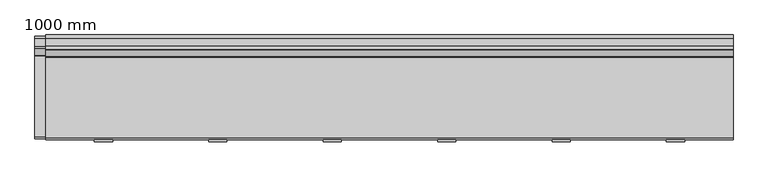
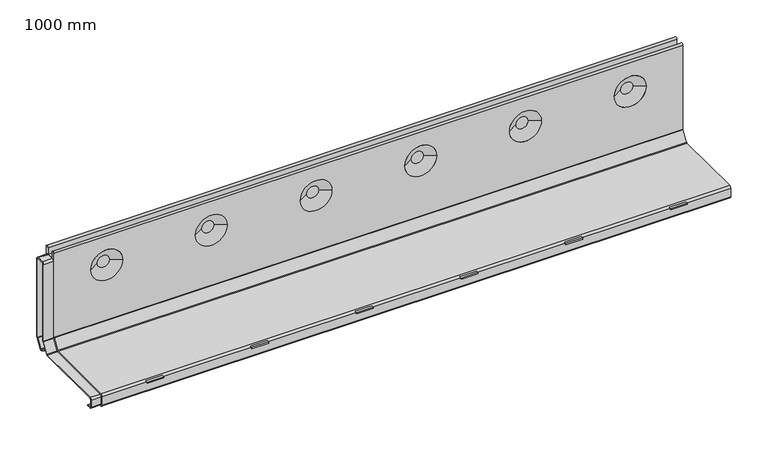
"""IFC4 building model written with IfcOpenShell, lengths in millimetres: proxy geometry, 1000 mm."""

from ifc_helpers import new_model, si_unit, point, frame, frame_2d, origin, place, context, project, spatial, polyline, circle_curve, trimmed, segment, composite_curve, outline, extrude, source, transform, mapped, element, save
from ifc_brep_helpers import plane_surface, cylinder_surface, revolved_surface, advanced_brep


def proxy_1000_mm_8a25c7e3(model_context):
    return source(origin(), model_context, "Body", "SolidModel", [
        extrude(outline(polyline([(734.75, -52.0), (732.75, -52.0), (732.75, 44.0), (734.75, 44.0), (734.75, -52.0)])), frame((0.0, 0.0, -29.1940506), z_axis=(0.0, 0.0, 1.0), x_axis=(1.0, 0.0, 0.0)), (0.0, 0.0, 1.0), 10.1940506),
        extrude(outline(polyline([(766.75, -52.0), (764.75, -52.0), (764.75, 44.0), (766.75, 44.0), (766.75, -52.0)])), frame((0.0, 0.0, -29.1940506), z_axis=(0.0, 0.0, 1.0), x_axis=(1.0, 0.0, 0.0)), (0.0, 0.0, 1.0), 10.1940506),
        extrude(outline(polyline([(763.0, -78.0), (736.5, -78.0), (736.5, -70.5), (763.0, -70.5), (763.0, -78.0)])), frame((0.0, 0.0, -3.6940506), z_axis=(0.0, 0.0, 1.0), x_axis=(1.0, 0.0, 0.0)), (0.0, 0.0, 1.0), 2.1940506),
        extrude(outline(polyline([(568.25, -52.0), (566.25, -52.0), (566.25, 44.0), (568.25, 44.0), (568.25, -52.0)])), frame((0.0, 0.0, -29.1940506), z_axis=(0.0, 0.0, 1.0), x_axis=(1.0, 0.0, 0.0)), (0.0, 0.0, 1.0), 10.1940506),
        extrude(outline(polyline([(600.25, -52.0), (598.25, -52.0), (598.25, 44.0), (600.25, 44.0), (600.25, -52.0)])), frame((0.0, 0.0, -29.1940506), z_axis=(0.0, 0.0, 1.0), x_axis=(1.0, 0.0, 0.0)), (0.0, 0.0, 1.0), 10.1940506),
        extrude(outline(polyline([(596.5, -78.0), (570.0, -78.0), (570.0, -70.5), (596.5, -70.5), (596.5, -78.0)])), frame((0.0, 0.0, -3.6940506), z_axis=(0.0, 0.0, 1.0), x_axis=(1.0, 0.0, 0.0)), (0.0, 0.0, 1.0), 2.1940506),
        extrude(outline(polyline([(401.75, -52.0), (399.75, -52.0), (399.75, 44.0), (401.75, 44.0), (401.75, -52.0)])), frame((0.0, 0.0, -29.1940506), z_axis=(0.0, 0.0, 1.0), x_axis=(1.0, 0.0, 0.0)), (0.0, 0.0, 1.0), 10.1940506),
        extrude(outline(polyline([(433.75, -52.0), (431.75, -52.0), (431.75, 44.0), (433.75, 44.0), (433.75, -52.0)])), frame((0.0, 0.0, -29.1940506), z_axis=(0.0, 0.0, 1.0), x_axis=(1.0, 0.0, 0.0)), (0.0, 0.0, 1.0), 10.1940506),
        extrude(outline(polyline([(430.0, -78.0), (403.5, -78.0), (403.5, -70.5), (430.0, -70.5), (430.0, -78.0)])), frame((0.0, 0.0, -3.6940506), z_axis=(0.0, 0.0, 1.0), x_axis=(1.0, 0.0, 0.0)), (0.0, 0.0, 1.0), 2.1940506),
        extrude(outline(polyline([(235.25, -52.0), (233.25, -52.0), (233.25, 44.0), (235.25, 44.0), (235.25, -52.0)])), frame((0.0, 0.0, -29.1940506), z_axis=(0.0, 0.0, 1.0), x_axis=(1.0, 0.0, 0.0)), (0.0, 0.0, 1.0), 10.1940506),
        extrude(outline(polyline([(267.25, -52.0), (265.25, -52.0), (265.25, 44.0), (267.25, 44.0), (267.25, -52.0)])), frame((0.0, 0.0, -29.1940506), z_axis=(0.0, 0.0, 1.0), x_axis=(1.0, 0.0, 0.0)), (0.0, 0.0, 1.0), 10.1940506),
        extrude(outline(polyline([(263.5, -78.0), (237.0, -78.0), (237.0, -70.5), (263.5, -70.5), (263.5, -78.0)])), frame((0.0, 0.0, -3.6940506), z_axis=(0.0, 0.0, 1.0), x_axis=(1.0, 0.0, 0.0)), (0.0, 0.0, 1.0), 2.1940506),
        extrude(outline(polyline([(901.25, -52.0), (899.25, -52.0), (899.25, 44.0), (901.25, 44.0), (901.25, -52.0)])), frame((0.0, 0.0, -29.1940506), z_axis=(0.0, 0.0, 1.0), x_axis=(1.0, 0.0, 0.0)), (0.0, 0.0, 1.0), 10.1940506),
        extrude(outline(polyline([(933.25, -52.0), (931.25, -52.0), (931.25, 44.0), (933.25, 44.0), (933.25, -52.0)])), frame((0.0, 0.0, -29.1940506), z_axis=(0.0, 0.0, 1.0), x_axis=(1.0, 0.0, 0.0)), (0.0, 0.0, 1.0), 10.1940506),
        extrude(outline(polyline([(929.5, -78.0), (903.0, -78.0), (903.0, -70.5), (929.5, -70.5), (929.5, -78.0)])), frame((0.0, 0.0, -3.6940506), z_axis=(0.0, 0.0, 1.0), x_axis=(1.0, 0.0, 0.0)), (0.0, 0.0, 1.0), 2.1940506),
        extrude(outline(polyline([(68.75, -52.0), (66.75, -52.0), (66.75, 44.0), (68.75, 44.0), (68.75, -52.0)])), frame((0.0, 0.0, -29.1940506), z_axis=(0.0, 0.0, 1.0), x_axis=(1.0, 0.0, 0.0)), (0.0, 0.0, 1.0), 10.1940506),
        extrude(outline(polyline([(100.75, -52.0), (98.75, -52.0), (98.75, 44.0), (100.75, 44.0), (100.75, -52.0)])), frame((0.0, 0.0, -29.1940506), z_axis=(0.0, 0.0, 1.0), x_axis=(1.0, 0.0, 0.0)), (0.0, 0.0, 1.0), 10.1940506),
        extrude(outline(polyline([(97.0, -78.0), (70.5, -78.0), (70.5, -70.5), (97.0, -70.5), (97.0, -78.0)])), frame((0.0, 0.0, -3.6940506), z_axis=(0.0, 0.0, 1.0), x_axis=(1.0, 0.0, 0.0)), (0.0, 0.0, 1.0), 2.1940506),
        advanced_brep(
        [(0.0, -58.5, -20.5), (0.0, -72.0, -20.5), (0.0, -75.0, -17.5), (0.0, -75.0, -3.0), (0.0, -72.0, 0.0), (0.0, 45.3541436, 0.0), (0.0, 46.6192308, 0.6940506), (0.0, 56.2650872, 15.8350122), (0.0, 56.5, 16.6409616), (0.0, 56.5, 157.745), (0.0, 61.01, 157.745), (0.0, 61.01, 146.8), (0.0, 72.99, 146.8), (0.0, 72.99, 157.7453869), (0.0, 77.5, 157.7453869), (0.0, 77.5, 11.767597), (0.0, 77.0301743, 10.1556982), (0.0, 67.2913074, -5.1312607), (0.0, 67.0563946, -5.9372101), (0.0, 67.0563946, -17.5), (0.0, 64.0563946, -20.5), (0.0, 50.0563946, -20.5), (0.0, 50.0563946, -19.0), (0.0, -58.5, -19.0), (1000.0, -58.5, -20.5), (1000.0, -58.5, -19.0), (1000.0, 50.0563946, -19.0), (1000.0, 50.0563946, -20.5), (1000.0, 64.0563946, -20.5), (1000.0, 67.0563946, -17.5), (1000.0, 67.0563946, -5.9372101), (1000.0, 67.2913074, -5.1312607), (1000.0, 77.0301743, 10.1556982), (1000.0, 77.5, 11.767597), (1000.0, 77.5, 157.7453869), (1000.0, 72.99, 157.7453869), (1000.0, 72.99, 146.8), (1000.0, 61.01, 146.8), (1000.0, 61.01, 157.745), (1000.0, 56.5, 157.745), (1000.0, 56.5, 16.6409616), (1000.0, 56.2650872, 15.8350122), (1000.0, 46.6192308, 0.6940506), (1000.0, 45.3541436, 0.0), (1000.0, -72.0, 0.0), (1000.0, -75.0, -3.0), (1000.0, -75.0, -17.5), (1000.0, -72.0, -20.5), (58.4993164, 77.5, 109.3137619), (109.0006836, 77.5, 109.3137619), (890.9993164, 77.5, 109.3137619), (941.5006836, 77.5, 109.3137619), (224.9993164, 77.5, 109.3137619), (275.5006836, 77.5, 109.3137619), (391.4993164, 77.5, 109.3137619), (442.0006836, 77.5, 109.3137619), (557.9993164, 77.5, 109.3137619), (608.5006836, 77.5, 109.3137619), (724.4993164, 77.5, 109.3137619), (775.0006836, 77.5, 109.3137619), (109.0006836, 56.5, 109.3137619), (58.4993164, 56.5, 109.3137619), (941.5006836, 56.5, 109.3137619), (890.9993164, 56.5, 109.3137619), (275.5006836, 56.5, 109.3137619), (224.9993164, 56.5, 109.3137619), (442.0006836, 56.5, 109.3137619), (391.4993164, 56.5, 109.3137619), (608.5006836, 56.5, 109.3137619), (557.9993164, 56.5, 109.3137619), (775.0006836, 56.5, 109.3137619), (724.4993164, 56.5, 109.3137619), (74.1699511, 66.1172432, 109.3137619), (93.3300489, 66.1172432, 109.3137619), (906.6699511, 66.1172432, 109.3137619), (925.8300489, 66.1172432, 109.3137619), (240.6699511, 66.1172432, 109.3137619), (259.8300489, 66.1172432, 109.3137619), (407.1699511, 66.1172432, 109.3137619), (426.3300489, 66.1172432, 109.3137619), (573.6699511, 66.1172432, 109.3137619), (592.8300489, 66.1172432, 109.3137619), (740.1699511, 66.1172432, 109.3137619), (759.3300489, 66.1172432, 109.3137619), (74.1699511, 67.8827568, 109.3137619), (93.3300489, 67.8827568, 109.3137619), (906.6699511, 67.8827568, 109.3137619), (925.8300489, 67.8827568, 109.3137619), (240.6699511, 67.8827568, 109.3137619), (259.8300489, 67.8827568, 109.3137619), (407.1699511, 67.8827568, 109.3137619), (426.3300489, 67.8827568, 109.3137619), (573.6699511, 67.8827568, 109.3137619), (592.8300489, 67.8827568, 109.3137619), (740.1699511, 67.8827568, 109.3137619), (759.3300489, 67.8827568, 109.3137619)],
        [
            (0, 1),
            (1, 2, circle_curve(frame((0.0, -72.0, -17.5), z_axis=(-1.0, 0.0, 0.0), x_axis=(0.0, 1.0, 0.0)), 3.0)),
            (2, 3),
            (3, 4, circle_curve(frame((0.0, -72.0, -3.0), z_axis=(-1.0, 0.0, 0.0), x_axis=(0.0, 1.0, 0.0)), 3.0)),
            (4, 5),
            (5, 6, circle_curve(frame((0.0, 45.3541436, 1.5), z_axis=(1.0, 0.0, 0.0), x_axis=(0.0, 1.0, 0.0)), 1.5)),
            (6, 7),
            (7, 8, circle_curve(frame((0.0, 55.0, 16.6409616), z_axis=(1.0, 0.0, 0.0), x_axis=(0.0, 1.0, 0.0)), 1.5)),
            (8, 9),
            (9, 10, circle_curve(frame((0.0, 58.755, 157.745), z_axis=(-1.0, 0.0, 0.0), x_axis=(0.0, 1.0, 0.0)), 2.255)),
            (10, 11),
            (11, 12),
            (12, 13),
            (13, 14, circle_curve(frame((0.0, 75.245, 157.7453869), z_axis=(-1.0, 0.0, 0.0), x_axis=(0.0, 1.0, 0.0)), 2.255)),
            (14, 15),
            (15, 16, circle_curve(frame((0.0, 74.5, 11.767597), z_axis=(-1.0, 0.0, 0.0), x_axis=(0.0, 1.0, 0.0)), 3.0)),
            (16, 17),
            (17, 18, circle_curve(frame((0.0, 68.5563946, -5.9372101), z_axis=(1.0, 0.0, 0.0), x_axis=(0.0, 1.0, 0.0)), 1.5)),
            (18, 19),
            (19, 20, circle_curve(frame((0.0, 64.0563946, -17.5), z_axis=(-1.0, 0.0, 0.0), x_axis=(0.0, 1.0, 0.0)), 3.0)),
            (20, 21),
            (21, 22),
            (22, 23),
            (23, 0),
            (24, 25),
            (25, 26),
            (26, 27),
            (27, 28),
            (28, 29, circle_curve(frame((1000.0, 64.0563946, -17.5), z_axis=(1.0, 0.0, 0.0), x_axis=(0.0, 1.0, 0.0)), 3.0)),
            (29, 30),
            (30, 31, circle_curve(frame((1000.0, 68.5563946, -5.9372101), z_axis=(-1.0, 0.0, 0.0), x_axis=(0.0, 1.0, 0.0)), 1.5)),
            (31, 32),
            (32, 33, circle_curve(frame((1000.0, 74.5, 11.767597), z_axis=(1.0, 0.0, 0.0), x_axis=(0.0, 1.0, 0.0)), 3.0)),
            (33, 34),
            (34, 35, circle_curve(frame((1000.0, 75.245, 157.7453869), z_axis=(1.0, 0.0, 0.0), x_axis=(0.0, 1.0, 0.0)), 2.255)),
            (35, 36),
            (36, 37),
            (37, 38),
            (38, 39, circle_curve(frame((1000.0, 58.755, 157.745), z_axis=(1.0, 0.0, 0.0), x_axis=(0.0, 1.0, 0.0)), 2.255)),
            (39, 40),
            (40, 41, circle_curve(frame((1000.0, 55.0, 16.6409616), z_axis=(-1.0, 0.0, 0.0), x_axis=(0.0, 1.0, 0.0)), 1.5)),
            (41, 42),
            (42, 43, circle_curve(frame((1000.0, 45.3541436, 1.5), z_axis=(-1.0, 0.0, 0.0), x_axis=(0.0, 1.0, 0.0)), 1.5)),
            (43, 44),
            (44, 45, circle_curve(frame((1000.0, -72.0, -3.0), z_axis=(1.0, 0.0, 0.0), x_axis=(0.0, 1.0, 0.0)), 3.0)),
            (45, 46),
            (46, 47, circle_curve(frame((1000.0, -72.0, -17.5), z_axis=(1.0, 0.0, 0.0), x_axis=(0.0, 1.0, 0.0)), 3.0)),
            (47, 24),
            (21, 27),
            (26, 22),
            (20, 28),
            (19, 29),
            (18, 30),
            (17, 31),
            (16, 32),
            (15, 33),
            (14, 34),
            (48, 49, circle_curve(frame((83.75, 77.5, 109.3137619), z_axis=(0.0, -1.0, 0.0), x_axis=(1.0, 0.0, 0.0)), 25.2506836)),
            (49, 48, circle_curve(frame((83.75, 77.5, 109.3137619), z_axis=(0.0, -1.0, 0.0), x_axis=(-1.0, 0.0, 0.0)), 25.2506836)),
            (50, 51, circle_curve(frame((916.25, 77.5, 109.3137619), z_axis=(0.0, -1.0, 0.0), x_axis=(1.0, 0.0, 0.0)), 25.2506836)),
            (51, 50, circle_curve(frame((916.25, 77.5, 109.3137619), z_axis=(0.0, -1.0, 0.0), x_axis=(-1.0, 0.0, 0.0)), 25.2506836)),
            (52, 53, circle_curve(frame((250.25, 77.5, 109.3137619), z_axis=(0.0, -1.0, 0.0), x_axis=(1.0, 0.0, 0.0)), 25.2506836)),
            (53, 52, circle_curve(frame((250.25, 77.5, 109.3137619), z_axis=(0.0, -1.0, 0.0), x_axis=(-1.0, 0.0, 0.0)), 25.2506836)),
            (54, 55, circle_curve(frame((416.75, 77.5, 109.3137619), z_axis=(0.0, -1.0, 0.0), x_axis=(1.0, 0.0, 0.0)), 25.2506836)),
            (55, 54, circle_curve(frame((416.75, 77.5, 109.3137619), z_axis=(0.0, -1.0, 0.0), x_axis=(-1.0, 0.0, 0.0)), 25.2506836)),
            (56, 57, circle_curve(frame((583.25, 77.5, 109.3137619), z_axis=(0.0, -1.0, 0.0), x_axis=(1.0, 0.0, 0.0)), 25.2506836)),
            (57, 56, circle_curve(frame((583.25, 77.5, 109.3137619), z_axis=(0.0, -1.0, 0.0), x_axis=(-1.0, 0.0, 0.0)), 25.2506836)),
            (58, 59, circle_curve(frame((749.75, 77.5, 109.3137619), z_axis=(0.0, -1.0, 0.0), x_axis=(1.0, 0.0, 0.0)), 25.2506836)),
            (59, 58, circle_curve(frame((749.75, 77.5, 109.3137619), z_axis=(0.0, -1.0, 0.0), x_axis=(-1.0, 0.0, 0.0)), 25.2506836)),
            (13, 35),
            (12, 36),
            (11, 37),
            (10, 38),
            (9, 39),
            (8, 40),
            (60, 61, circle_curve(frame((83.75, 56.5, 109.3137619), z_axis=(0.0, 1.0, 0.0), x_axis=(-1.0, 0.0, 0.0)), 25.2506836)),
            (61, 60, circle_curve(frame((83.75, 56.5, 109.3137619), z_axis=(0.0, 1.0, 0.0), x_axis=(1.0, 0.0, 0.0)), 25.2506836)),
            (62, 63, circle_curve(frame((916.25, 56.5, 109.3137619), z_axis=(0.0, 1.0, 0.0), x_axis=(-1.0, 0.0, 0.0)), 25.2506836)),
            (63, 62, circle_curve(frame((916.25, 56.5, 109.3137619), z_axis=(0.0, 1.0, 0.0), x_axis=(1.0, 0.0, 0.0)), 25.2506836)),
            (64, 65, circle_curve(frame((250.25, 56.5, 109.3137619), z_axis=(0.0, 1.0, 0.0), x_axis=(-1.0, 0.0, 0.0)), 25.2506836)),
            (65, 64, circle_curve(frame((250.25, 56.5, 109.3137619), z_axis=(0.0, 1.0, 0.0), x_axis=(1.0, 0.0, 0.0)), 25.2506836)),
            (66, 67, circle_curve(frame((416.75, 56.5, 109.3137619), z_axis=(0.0, 1.0, 0.0), x_axis=(-1.0, 0.0, 0.0)), 25.2506836)),
            (67, 66, circle_curve(frame((416.75, 56.5, 109.3137619), z_axis=(0.0, 1.0, 0.0), x_axis=(1.0, 0.0, 0.0)), 25.2506836)),
            (68, 69, circle_curve(frame((583.25, 56.5, 109.3137619), z_axis=(0.0, 1.0, 0.0), x_axis=(-1.0, 0.0, 0.0)), 25.2506836)),
            (69, 68, circle_curve(frame((583.25, 56.5, 109.3137619), z_axis=(0.0, 1.0, 0.0), x_axis=(1.0, 0.0, 0.0)), 25.2506836)),
            (70, 71, circle_curve(frame((749.75, 56.5, 109.3137619), z_axis=(0.0, 1.0, 0.0), x_axis=(-1.0, 0.0, 0.0)), 25.2506836)),
            (71, 70, circle_curve(frame((749.75, 56.5, 109.3137619), z_axis=(0.0, 1.0, 0.0), x_axis=(1.0, 0.0, 0.0)), 25.2506836)),
            (7, 41),
            (6, 42),
            (5, 43),
            (4, 44),
            (3, 45),
            (2, 46),
            (1, 47),
            (0, 24),
            (23, 25),
            (72, 73, circle_curve(frame((83.75, 66.1172432, 109.3137619), z_axis=(0.0, -1.0, 0.0), x_axis=(-1.0, 0.0, 0.0)), 9.5800489)),
            (73, 72, circle_curve(frame((83.75, 66.1172432, 109.3137619), z_axis=(0.0, -1.0, 0.0), x_axis=(1.0, 0.0, 0.0)), 9.5800489)),
            (72, 61),
            (60, 73),
            (74, 75, circle_curve(frame((916.25, 66.1172432, 109.3137619), z_axis=(0.0, -1.0, 0.0), x_axis=(-1.0, 0.0, 0.0)), 9.5800489)),
            (75, 74, circle_curve(frame((916.25, 66.1172432, 109.3137619), z_axis=(0.0, -1.0, 0.0), x_axis=(1.0, 0.0, 0.0)), 9.5800489)),
            (74, 63),
            (62, 75),
            (76, 77, circle_curve(frame((250.25, 66.1172432, 109.3137619), z_axis=(0.0, -1.0, 0.0), x_axis=(-1.0, 0.0, 0.0)), 9.5800489)),
            (77, 76, circle_curve(frame((250.25, 66.1172432, 109.3137619), z_axis=(0.0, -1.0, 0.0), x_axis=(1.0, 0.0, 0.0)), 9.5800489)),
            (76, 65),
            (64, 77),
            (78, 79, circle_curve(frame((416.75, 66.1172432, 109.3137619), z_axis=(0.0, -1.0, 0.0), x_axis=(-1.0, 0.0, 0.0)), 9.5800489)),
            (79, 78, circle_curve(frame((416.75, 66.1172432, 109.3137619), z_axis=(0.0, -1.0, 0.0), x_axis=(1.0, 0.0, 0.0)), 9.5800489)),
            (78, 67),
            (66, 79),
            (80, 81, circle_curve(frame((583.25, 66.1172432, 109.3137619), z_axis=(0.0, -1.0, 0.0), x_axis=(-1.0, 0.0, 0.0)), 9.5800489)),
            (81, 80, circle_curve(frame((583.25, 66.1172432, 109.3137619), z_axis=(0.0, -1.0, 0.0), x_axis=(1.0, 0.0, 0.0)), 9.5800489)),
            (80, 69),
            (68, 81),
            (82, 83, circle_curve(frame((749.75, 66.1172432, 109.3137619), z_axis=(0.0, -1.0, 0.0), x_axis=(-1.0, 0.0, 0.0)), 9.5800489)),
            (83, 82, circle_curve(frame((749.75, 66.1172432, 109.3137619), z_axis=(0.0, -1.0, 0.0), x_axis=(1.0, 0.0, 0.0)), 9.5800489)),
            (82, 71),
            (70, 83),
            (84, 85, circle_curve(frame((83.75, 67.8827568, 109.3137619), z_axis=(0.0, 1.0, 0.0), x_axis=(-1.0, 0.0, 0.0)), 9.5800489)),
            (85, 84, circle_curve(frame((83.75, 67.8827568, 109.3137619), z_axis=(0.0, 1.0, 0.0), x_axis=(1.0, 0.0, 0.0)), 9.5800489)),
            (85, 49),
            (48, 84),
            (86, 87, circle_curve(frame((916.25, 67.8827568, 109.3137619), z_axis=(0.0, 1.0, 0.0), x_axis=(-1.0, 0.0, 0.0)), 9.5800489)),
            (87, 86, circle_curve(frame((916.25, 67.8827568, 109.3137619), z_axis=(0.0, 1.0, 0.0), x_axis=(1.0, 0.0, 0.0)), 9.5800489)),
            (87, 51),
            (50, 86),
            (88, 89, circle_curve(frame((250.25, 67.8827568, 109.3137619), z_axis=(0.0, 1.0, 0.0), x_axis=(-1.0, 0.0, 0.0)), 9.5800489)),
            (89, 88, circle_curve(frame((250.25, 67.8827568, 109.3137619), z_axis=(0.0, 1.0, 0.0), x_axis=(1.0, 0.0, 0.0)), 9.5800489)),
            (89, 53),
            (52, 88),
            (90, 91, circle_curve(frame((416.75, 67.8827568, 109.3137619), z_axis=(0.0, 1.0, 0.0), x_axis=(-1.0, 0.0, 0.0)), 9.5800489)),
            (91, 90, circle_curve(frame((416.75, 67.8827568, 109.3137619), z_axis=(0.0, 1.0, 0.0), x_axis=(1.0, 0.0, 0.0)), 9.5800489)),
            (91, 55),
            (54, 90),
            (92, 93, circle_curve(frame((583.25, 67.8827568, 109.3137619), z_axis=(0.0, 1.0, 0.0), x_axis=(-1.0, 0.0, 0.0)), 9.5800489)),
            (93, 92, circle_curve(frame((583.25, 67.8827568, 109.3137619), z_axis=(0.0, 1.0, 0.0), x_axis=(1.0, 0.0, 0.0)), 9.5800489)),
            (93, 57),
            (56, 92),
            (94, 95, circle_curve(frame((749.75, 67.8827568, 109.3137619), z_axis=(0.0, 1.0, 0.0), x_axis=(-1.0, 0.0, 0.0)), 9.5800489)),
            (95, 94, circle_curve(frame((749.75, 67.8827568, 109.3137619), z_axis=(0.0, 1.0, 0.0), x_axis=(1.0, 0.0, 0.0)), 9.5800489)),
            (95, 59),
            (58, 94),
        ],
        [
            plane_surface(frame((0.0, -58.5, -20.5), z_axis=(-1.0, 0.0, 0.0), x_axis=(0.0, 0.0, -1.0))),
            plane_surface(frame((1000.0, -58.5, -20.5), z_axis=(1.0, 0.0, 0.0), x_axis=(0.0, 0.0, 1.0))),
            plane_surface(frame((1000.0, 50.0563946, -19.0), z_axis=(0.0, -1.0, 0.0), x_axis=(-1.0, 0.0, 0.0))),
            plane_surface(frame((1000.0, 50.0563946, -20.5), z_axis=(0.0, 0.0, -1.0), x_axis=(-1.0, 0.0, 0.0))),
            cylinder_surface(frame((0.0, 64.0563946, -17.5), z_axis=(1.0, 0.0, 0.0), x_axis=(0.0, 1.0, 0.0)), 3.0),
            plane_surface(frame((1000.0, 67.0563946, -17.5), z_axis=(0.0, 1.0, 0.0), x_axis=(-1.0, 0.0, 0.0))),
            revolved_surface(polyline([(0.0, 70.0563946, -5.9372101), (1000.0, 70.0563946, -5.9372101)]), (0.0, 68.5563946, -5.9372101), (-1.0, 0.0, 0.0)),
            plane_surface(frame((1000.0, 67.2913074, -5.1312607), z_axis=(0.0, 0.8433914458128804, -0.5372996083468322), x_axis=(-1.0, 0.0, 0.0))),
            cylinder_surface(frame((0.0, 74.5, 11.767597), z_axis=(1.0, 0.0, 0.0), x_axis=(0.0, 1.0, 0.0)), 3.0),
            plane_surface(frame((1000.0, 77.5, 11.767597), z_axis=(0.0, 1.0, 0.0), x_axis=(-1.0, 0.0, 0.0))),
            cylinder_surface(frame((0.0, 75.245, 157.7453869), z_axis=(1.0, 0.0, 0.0), x_axis=(0.0, 1.0, 0.0)), 2.255),
            plane_surface(frame((1000.0, 72.99, 157.7453869), z_axis=(0.0, -1.0, 0.0), x_axis=(-1.0, 0.0, 0.0))),
            plane_surface(frame((1000.0, 72.99, 146.8), z_axis=(0.0, 0.0, 1.0), x_axis=(-1.0, 0.0, 0.0))),
            plane_surface(frame((1000.0, 61.01, 146.8), z_axis=(0.0, 1.0, 0.0), x_axis=(-1.0, 0.0, 0.0))),
            cylinder_surface(frame((0.0, 58.755, 157.745), z_axis=(1.0, 0.0, 0.0), x_axis=(0.0, 1.0, 0.0)), 2.255),
            plane_surface(frame((1000.0, 56.5, 157.745), z_axis=(0.0, -1.0, 0.0), x_axis=(-1.0, 0.0, 0.0))),
            revolved_surface(polyline([(0.0, 56.5, 16.6409616), (1000.0, 56.5, 16.6409616)]), (0.0, 55.0, 16.6409616), (-1.0, 0.0, 0.0)),
            plane_surface(frame((1000.0, 56.2650872, 15.8350122), z_axis=(0.0, -0.8433914458128925, 0.5372996083468133), x_axis=(-1.0, 0.0, 0.0))),
            revolved_surface(polyline([(0.0, 46.8541436, 1.5), (1000.0, 46.8541436, 1.5)]), (0.0, 45.3541436, 1.5), (-1.0, 0.0, 0.0)),
            plane_surface(frame((1000.0, 45.3541436, 0.0), z_axis=(0.0, 0.0, 1.0), x_axis=(-1.0, 0.0, 0.0))),
            cylinder_surface(frame((0.0, -72.0, -3.0), z_axis=(1.0, 0.0, 0.0), x_axis=(0.0, 1.0, 0.0)), 3.0),
            plane_surface(frame((1000.0, -75.0, -3.0), z_axis=(0.0, -1.0, 0.0), x_axis=(-1.0, 0.0, 0.0))),
            cylinder_surface(frame((0.0, -72.0, -17.5), z_axis=(1.0, 0.0, 0.0), x_axis=(0.0, 1.0, 0.0)), 3.0),
            plane_surface(frame((1000.0, -72.0, -20.5), z_axis=(0.0, 0.0, -1.0), x_axis=(-1.0, 0.0, 0.0))),
            plane_surface(frame((1000.0, -58.5, -20.5), z_axis=(0.0, 1.0, 0.0), x_axis=(-1.0, 0.0, 0.0))),
            plane_surface(frame((1000.0, -58.5, -19.0), z_axis=(0.0, 0.0, -1.0), x_axis=(-1.0, 0.0, 0.0))),
            plane_surface(frame((83.75, 66.1172432, 109.3137619), z_axis=(0.0, -1.0, 0.0), x_axis=(0.0, 0.0, -1.0))),
            revolved_surface(polyline([(58.4993164, 56.5, 109.3137619), (74.16995110122151, 66.1172432, 109.3137619)]), (83.75, 71.996626, 109.3137619), (0.0, -1.0, 0.0)),
            revolved_surface(polyline([(109.0006836, 56.5, 109.3137619), (93.33004889877849, 66.1172432, 109.3137619)]), (83.75, 71.996626, 109.3137619), (0.0, -1.0, 0.0)),
            plane_surface(frame((916.25, 66.1172432, 109.3137619), z_axis=(0.0, -1.0, 0.0), x_axis=(0.0, 0.0, -1.0))),
            revolved_surface(polyline([(890.9993164, 56.5, 109.3137619), (906.6699511012215, 66.1172432, 109.3137619)]), (916.25, 71.996626, 109.3137619), (0.0, -1.0, 0.0)),
            revolved_surface(polyline([(941.5006836, 56.5, 109.3137619), (925.8300488987785, 66.1172432, 109.3137619)]), (916.25, 71.996626, 109.3137619), (0.0, -1.0, 0.0)),
            plane_surface(frame((250.25, 66.1172432, 109.3137619), z_axis=(0.0, -1.0, 0.0), x_axis=(0.0, 0.0, -1.0))),
            revolved_surface(polyline([(224.9993164, 56.5, 109.3137619), (240.6699511012215, 66.1172432, 109.3137619)]), (250.25, 71.996626, 109.3137619), (0.0, -1.0, 0.0)),
            revolved_surface(polyline([(275.5006836, 56.5, 109.3137619), (259.8300488987785, 66.1172432, 109.3137619)]), (250.25, 71.996626, 109.3137619), (0.0, -1.0, 0.0)),
            plane_surface(frame((416.75, 66.1172432, 109.3137619), z_axis=(0.0, -1.0, 0.0), x_axis=(0.0, 0.0, -1.0))),
            revolved_surface(polyline([(391.4993164, 56.5, 109.3137619), (407.1699511012215, 66.1172432, 109.3137619)]), (416.75, 71.996626, 109.3137619), (0.0, -1.0, 0.0)),
            revolved_surface(polyline([(442.0006836, 56.5, 109.3137619), (426.3300488987785, 66.1172432, 109.3137619)]), (416.75, 71.996626, 109.3137619), (0.0, -1.0, 0.0)),
            plane_surface(frame((583.25, 66.1172432, 109.3137619), z_axis=(0.0, -1.0, 0.0), x_axis=(0.0, 0.0, -1.0))),
            revolved_surface(polyline([(557.9993164, 56.5, 109.3137619), (573.6699511012215, 66.1172432, 109.3137619)]), (583.25, 71.996626, 109.3137619), (0.0, -1.0, 0.0)),
            revolved_surface(polyline([(608.5006836, 56.5, 109.3137619), (592.8300488987785, 66.1172432, 109.3137619)]), (583.25, 71.996626, 109.3137619), (0.0, -1.0, 0.0)),
            plane_surface(frame((749.75, 66.1172432, 109.3137619), z_axis=(0.0, -1.0, 0.0), x_axis=(0.0, 0.0, -1.0))),
            revolved_surface(polyline([(724.4993164, 56.5, 109.3137619), (740.1699511012215, 66.1172432, 109.3137619)]), (749.75, 71.996626, 109.3137619), (0.0, -1.0, 0.0)),
            revolved_surface(polyline([(775.0006836, 56.5, 109.3137619), (759.3300488987785, 66.1172432, 109.3137619)]), (749.75, 71.996626, 109.3137619), (0.0, -1.0, 0.0)),
            plane_surface(frame((83.75, 67.8827568, 109.3137619), z_axis=(0.0, 1.0, 0.0), x_axis=(0.0, 0.0, 1.0))),
            revolved_surface(polyline([(109.0006836, 77.5, 109.3137619), (93.33004889877849, 67.8827568, 109.3137619)]), (83.75, 62.003374, 109.3137619), (0.0, 1.0, 0.0)),
            revolved_surface(polyline([(58.4993164, 77.5, 109.3137619), (74.16995110122151, 67.8827568, 109.3137619)]), (83.75, 62.003374, 109.3137619), (0.0, 1.0, 0.0)),
            plane_surface(frame((916.25, 67.8827568, 109.3137619), z_axis=(0.0, 1.0, 0.0), x_axis=(0.0, 0.0, 1.0))),
            revolved_surface(polyline([(941.5006836, 77.5, 109.3137619), (925.8300488987785, 67.8827568, 109.3137619)]), (916.25, 62.003374, 109.3137619), (0.0, 1.0, 0.0)),
            revolved_surface(polyline([(890.9993164, 77.5, 109.3137619), (906.6699511012215, 67.8827568, 109.3137619)]), (916.25, 62.003374, 109.3137619), (0.0, 1.0, 0.0)),
            plane_surface(frame((250.25, 67.8827568, 109.3137619), z_axis=(0.0, 1.0, 0.0), x_axis=(0.0, 0.0, 1.0))),
            revolved_surface(polyline([(275.5006836, 77.5, 109.3137619), (259.8300488987785, 67.8827568, 109.3137619)]), (250.25, 62.003374, 109.3137619), (0.0, 1.0, 0.0)),
            revolved_surface(polyline([(224.9993164, 77.5, 109.3137619), (240.66995110122153, 67.8827568, 109.3137619)]), (250.25, 62.003374, 109.3137619), (0.0, 1.0, 0.0)),
            plane_surface(frame((416.75, 67.8827568, 109.3137619), z_axis=(0.0, 1.0, 0.0), x_axis=(0.0, 0.0, 1.0))),
            revolved_surface(polyline([(442.0006836, 77.5, 109.3137619), (426.3300488987785, 67.8827568, 109.3137619)]), (416.75, 62.003374, 109.3137619), (0.0, 1.0, 0.0)),
            revolved_surface(polyline([(391.4993164, 77.5, 109.3137619), (407.1699511012215, 67.8827568, 109.3137619)]), (416.75, 62.003374, 109.3137619), (0.0, 1.0, 0.0)),
            plane_surface(frame((583.25, 67.8827568, 109.3137619), z_axis=(0.0, 1.0, 0.0), x_axis=(0.0, 0.0, 1.0))),
            revolved_surface(polyline([(608.5006836, 77.5, 109.3137619), (592.8300488987785, 67.8827568, 109.3137619)]), (583.25, 62.003374, 109.3137619), (0.0, 1.0, 0.0)),
            revolved_surface(polyline([(557.9993164, 77.5, 109.3137619), (573.6699511012215, 67.8827568, 109.3137619)]), (583.25, 62.003374, 109.3137619), (0.0, 1.0, 0.0)),
            plane_surface(frame((749.75, 67.8827568, 109.3137619), z_axis=(0.0, 1.0, 0.0), x_axis=(0.0, 0.0, 1.0))),
            revolved_surface(polyline([(775.0006836, 77.5, 109.3137619), (759.3300488987785, 67.8827568, 109.3137619)]), (749.75, 62.003374, 109.3137619), (0.0, 1.0, 0.0)),
            revolved_surface(polyline([(724.4993164, 77.5, 109.3137619), (740.1699511012215, 67.8827568, 109.3137619)]), (749.75, 62.003374, 109.3137619), (0.0, 1.0, 0.0)),
        ],
        [
            (0, [[1, 2, 3, 4, 5, 6, 7, 8, 9, 10, 11, 12, 13, 14, 15, 16, 17, 18, 19, 20, 21, 22, 23, 24]]),
            (1, [[25, 26, 27, 28, 29, 30, 31, 32, 33, 34, 35, 36, 37, 38, 39, 40, 41, 42, 43, 44, 45, 46, 47, 48]]),
            (2, [[-22, 49, -27, 50]]),
            (3, [[-21, 51, -28, -49]]),
            (4, [[-20, 52, -29, -51]]),
            (5, [[-19, 53, -30, -52]]),
            (6, [[-18, 54, -31, -53]]),
            (7, [[-17, 55, -32, -54]]),
            (8, [[-16, 56, -33, -55]]),
            (9, [[-15, 57, -34, -56], [58, 59], [60, 61], [62, 63], [64, 65], [66, 67], [68, 69]]),
            (10, [[-14, 70, -35, -57]]),
            (11, [[-13, 71, -36, -70]]),
            (12, [[-12, 72, -37, -71]]),
            (13, [[-11, 73, -38, -72]]),
            (14, [[-10, 74, -39, -73]]),
            (15, [[-9, 75, -40, -74], [76, 77], [78, 79], [80, 81], [82, 83], [84, 85], [86, 87]]),
            (16, [[-8, 88, -41, -75]]),
            (17, [[-7, 89, -42, -88]]),
            (18, [[-6, 90, -43, -89]]),
            (19, [[-5, 91, -44, -90]]),
            (20, [[-4, 92, -45, -91]]),
            (21, [[-3, 93, -46, -92]]),
            (22, [[-2, 94, -47, -93]]),
            (23, [[-1, 95, -48, -94]]),
            (24, [[-24, 96, -25, -95]]),
            (25, [[-23, -50, -26, -96]]),
            (26, [[97, 98]]),
            (27, [[-97, 99, -76, 100]]),
            (28, [[-98, -100, -77, -99]]),
            (29, [[101, 102]]),
            (30, [[-101, 103, -78, 104]]),
            (31, [[-102, -104, -79, -103]]),
            (32, [[105, 106]]),
            (33, [[-105, 107, -80, 108]]),
            (34, [[-106, -108, -81, -107]]),
            (35, [[109, 110]]),
            (36, [[-109, 111, -82, 112]]),
            (37, [[-110, -112, -83, -111]]),
            (38, [[113, 114]]),
            (39, [[-113, 115, -84, 116]]),
            (40, [[-114, -116, -85, -115]]),
            (41, [[117, 118]]),
            (42, [[-117, 119, -86, 120]]),
            (43, [[-118, -120, -87, -119]]),
            (44, [[121, 122]]),
            (45, [[-122, 123, -58, 124]]),
            (46, [[-121, -124, -59, -123]]),
            (47, [[125, 126]]),
            (48, [[-126, 127, -60, 128]]),
            (49, [[-125, -128, -61, -127]]),
            (50, [[129, 130]]),
            (51, [[-130, 131, -62, 132]]),
            (52, [[-129, -132, -63, -131]]),
            (53, [[133, 134]]),
            (54, [[-134, 135, -64, 136]]),
            (55, [[-133, -136, -65, -135]]),
            (56, [[137, 138]]),
            (57, [[-138, 139, -66, 140]]),
            (58, [[-137, -140, -67, -139]]),
            (59, [[141, 142]]),
            (60, [[-142, 143, -68, 144]]),
            (61, [[-141, -144, -69, -143]]),
        ],
    ),
        extrude(outline(composite_curve([segment(trimmed(circle_curve(frame_2d((-70.5, -16.0)), 3.0), [point((-70.5, -19.0))], [point((-73.5, -16.0))], False, "CARTESIAN"), True, "CONTINUOUS"), segment(polyline([(-73.5, -16.0), (-73.5, -4.5)]), True, "CONTINUOUS"), segment(trimmed(circle_curve(frame_2d((-70.5, -4.5)), 3.0), [point((-73.5, -4.5))], [point((-70.5, -1.5))], False, "CARTESIAN"), True, "CONTINUOUS"), segment(polyline([(-70.5, -1.5), (46.8770718, -1.5)]), True, "CONTINUOUS"), segment(trimmed(circle_curve(frame_2d((46.8770718, 0.0)), 1.5), [point((46.8770718, -1.5))], [point((48.142159, -0.8059494))], True, "CARTESIAN"), True, "CONTINUOUS"), segment(polyline([(48.142159, -0.8059494), (57.7650872, 14.2990222)]), True, "CONTINUOUS"), segment(trimmed(circle_curve(frame_2d((56.5, 15.1049716)), 1.5), [point((57.7650872, 14.2990222))], [point((58.0, 15.1049716))], True, "CARTESIAN"), True, "CONTINUOUS"), segment(polyline([(58.0, 15.1049716), (58.0, 143.8)]), True, "CONTINUOUS"), segment(trimmed(circle_curve(frame_2d((61.0, 143.8)), 3.0), [point((58.0, 143.8))], [point((61.0, 146.8))], False, "CARTESIAN"), True, "CONTINUOUS"), segment(polyline([(61.0, 146.8), (72.75, 146.8)]), True, "CONTINUOUS"), segment(trimmed(circle_curve(frame_2d((72.75, 143.8)), 3.0), [point((72.75, 146.8))], [point((75.75, 143.8))], False, "CARTESIAN"), True, "CONTINUOUS"), segment(polyline([(75.75, 143.8), (75.75, 11.9636974)]), True, "CONTINUOUS"), segment(trimmed(circle_curve(frame_2d((72.75, 11.9636974)), 3.0), [point((75.75, 11.9636974))], [point((75.2801743, 10.3517986))], False, "CARTESIAN"), True, "CONTINUOUS"), segment(polyline([(75.2801743, 10.3517986), (66.809512, -2.9444778)]), True, "CONTINUOUS"), segment(trimmed(circle_curve(frame_2d((64.2793377, -1.332579)), 3.0), [point((66.809512, -2.9444778))], [point((62.6674389, -3.8627533))], False, "CARTESIAN"), True, "CONTINUOUS"), segment(polyline([(62.6674389, -3.8627533), (53.1792851, 2.1818673), (53.9852345, 3.4469544), (63.4733883, -2.5976662)]), True, "CONTINUOUS"), segment(trimmed(circle_curve(frame_2d((64.2793377, -1.332579)), 1.5), [point((63.4733883, -2.5976662))], [point((65.5444249, -2.1385284))], True, "CARTESIAN"), True, "CONTINUOUS"), segment(polyline([(65.5444249, -2.1385284), (74.0150872, 11.157748)]), True, "CONTINUOUS"), segment(trimmed(circle_curve(frame_2d((72.75, 11.9636974)), 1.5), [point((74.0150872, 11.157748))], [point((74.25, 11.9636974))], True, "CARTESIAN"), True, "CONTINUOUS"), segment(polyline([(74.25, 11.9636974), (74.25, 143.8)]), True, "CONTINUOUS"), segment(trimmed(circle_curve(frame_2d((72.75, 143.8)), 1.5), [point((74.25, 143.8))], [point((72.75, 145.3))], True, "CARTESIAN"), True, "CONTINUOUS"), segment(polyline([(72.75, 145.3), (61.0, 145.3)]), True, "CONTINUOUS"), segment(trimmed(circle_curve(frame_2d((61.0, 143.8)), 1.5), [point((61.0, 145.3))], [point((59.5, 143.8))], True, "CARTESIAN"), True, "CONTINUOUS"), segment(polyline([(59.5, 143.8), (59.5, 15.1049716)]), True, "CONTINUOUS"), segment(trimmed(circle_curve(frame_2d((56.5, 15.1049716)), 3.0), [point((59.5, 15.1049716))], [point((59.0301743, 13.4930727))], False, "CARTESIAN"), True, "CONTINUOUS"), segment(polyline([(59.0301743, 13.4930727), (49.4072462, -1.6118988)]), True, "CONTINUOUS"), segment(trimmed(circle_curve(frame_2d((46.8770718, 0.0)), 3.0), [point((49.4072462, -1.6118988))], [point((46.8770718, -3.0))], False, "CARTESIAN"), True, "CONTINUOUS"), segment(polyline([(46.8770718, -3.0), (-70.5, -3.0)]), True, "CONTINUOUS"), segment(trimmed(circle_curve(frame_2d((-70.5, -4.5)), 1.5), [point((-70.5, -3.0))], [point((-72.0, -4.5))], True, "CARTESIAN"), True, "CONTINUOUS"), segment(polyline([(-72.0, -4.5), (-72.0, -16.0)]), True, "CONTINUOUS"), segment(trimmed(circle_curve(frame_2d((-70.5, -16.0)), 1.5), [point((-72.0, -16.0))], [point((-70.5, -17.5))], True, "CARTESIAN"), True, "CONTINUOUS"), segment(polyline([(-70.5, -17.5), (-64.5, -17.5), (-64.5, -19.0), (-70.5, -19.0)]), True, "CONTINUOUS")], self_intersect=False)), frame((-16.0, 0.0, 0.0), z_axis=(1.0, 0.0, 0.0), x_axis=(0.0, 1.0, 0.0)), (0.0, 0.0, 1.0), 16.0),
    ])


if __name__ == "__main__":
    model = new_model("IFC4")
    model_context = context("Model", 3, world=origin())
    ifc_project = project(units=[si_unit("LENGTHUNIT", "METRE", prefix="MILLI")], contexts=[model_context])
    site = spatial("IfcSite", under=ifc_project)
    building = spatial("IfcBuilding", under=site)
    placement = place(None, origin())
    proxy_1000_mm_shape = proxy_1000_mm_8a25c7e3(model_context)
    element("IfcBuildingElementProxy", 1, Name="1000 mm", ObjectType="1000 mm", at=placement, inside=building, context=model_context, shape_type="MappedRepresentation", body=[
        mapped(proxy_1000_mm_shape, transform((0.0, 0.0, 0.0), x_axis=(1.0, 0.0, 0.0), y_axis=(0.0, 1.0, 0.0), z_axis=(0.0, 0.0, 1.0))),
    ])
    save(model, "model.ifc")
